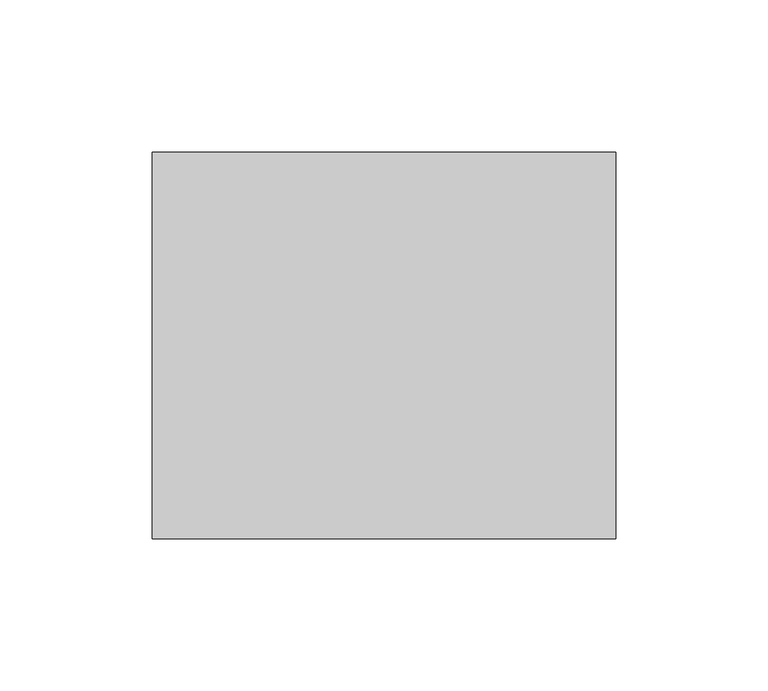
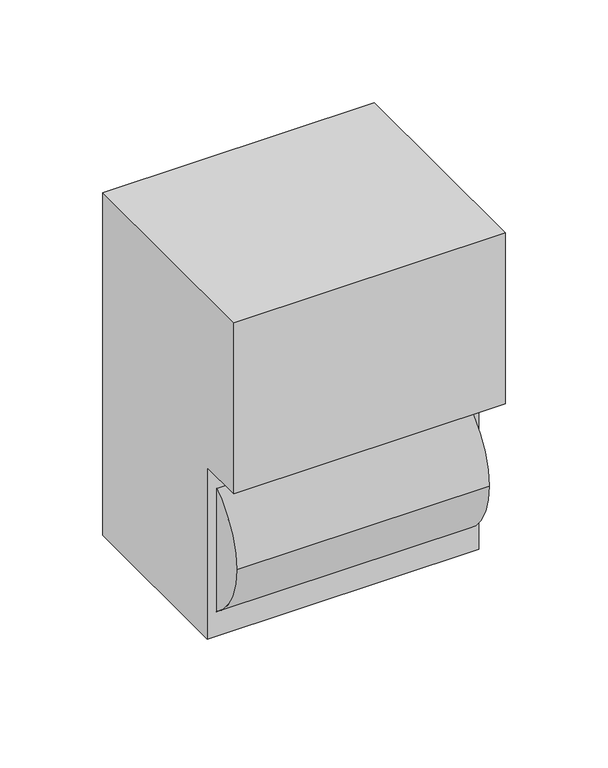
"""IFC4 building model written with IfcOpenShell, lengths in millimetres: flow terminal geometry."""

from ifc_helpers import new_model, si_unit, point, frame, frame_2d, origin, place, context, project, spatial, polyline, circle_curve, trimmed, segment, composite_curve, outline, extrude, source, transform, mapped, element, save


def flow_terminal_329a1f26(model_context):
    return source(origin(), model_context, "Body", "SweptSolid", [
        extrude(outline(composite_curve([segment(trimmed(circle_curve(frame_2d((-76.2, 431.8)), 44.45), [point((-120.65, 431.8))], [point((-31.75, 431.8))], False, "CARTESIAN"), True, "CONTINUOUS"), segment(trimmed(circle_curve(frame_2d((-76.2, 431.8)), 44.45), [point((-31.75, 431.8))], [point((-120.65, 431.8))], False, "CARTESIAN"), True, "CONTINUOUS")], self_intersect=False)), frame((-70.7703031, 0.0, 0.0), z_axis=(1.0, 0.0, 0.0), x_axis=(0.0, 1.0, 0.0)), (0.0, 0.0, 1.0), 141.5948727),
        extrude(outline(polyline([(0.0, 584.2), (0.0, 381.0), (-101.6, 381.0), (-101.6, 482.6), (-127.0, 482.6), (-127.0, 584.2), (0.0, 584.2)])), frame((-76.2, 0.0, 0.0), z_axis=(1.0, 0.0, 0.0), x_axis=(0.0, 1.0, 0.0)), (0.0, 0.0, 1.0), 152.4),
    ])


if __name__ == "__main__":
    model = new_model("IFC4")
    model_context = context("Model", 3, world=origin())
    ifc_project = project(units=[si_unit("LENGTHUNIT", "METRE", prefix="MILLI")], contexts=[model_context])
    site = spatial("IfcSite", under=ifc_project)
    building = spatial("IfcBuilding", under=site)
    placement = place(None, origin())
    flow_terminal_shape = flow_terminal_329a1f26(model_context)
    element("IfcFlowTerminal", 1, at=placement, inside=building, context=model_context, shape_type="MappedRepresentation", body=[
        mapped(flow_terminal_shape, transform((0.0, 0.0, 0.0), x_axis=(1.0, 0.0, 0.0), y_axis=(0.0, 1.0, 0.0), z_axis=(0.0, 0.0, 1.0))),
    ])
    save(model, "model.ifc")
